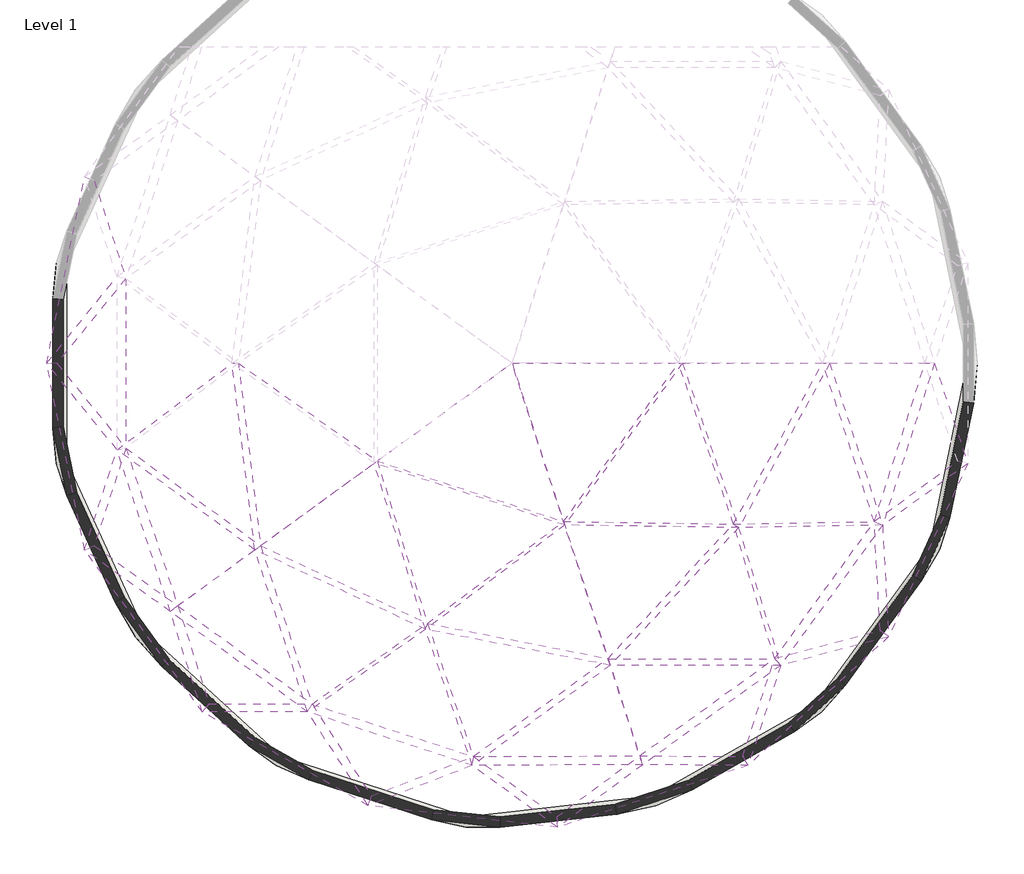
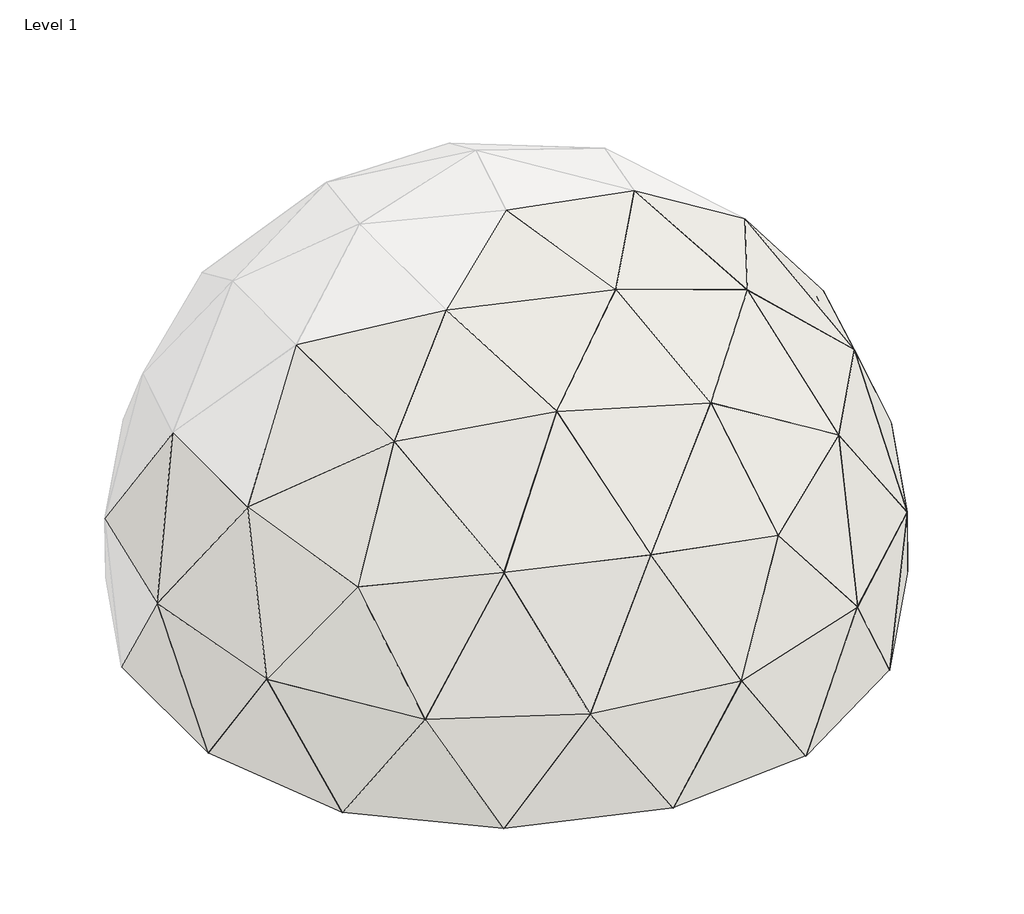
# One storey, part 1 of 2: 52 walls.
"""IFC4 building model written with IfcOpenShell, lengths in millimetres."""

from ifc_helpers import new_model, si_unit, origin, place, context, project, spatial, faceted_brep, element, save

model = new_model("IFC4")

# Units and contexts
model_context = context("Model", 3, world=origin())
ifc_project = project(units=[si_unit("LENGTHUNIT", "METRE", prefix="MILLI")], contexts=[model_context])

# Site, building, storey
site = spatial("IfcSite", under=ifc_project)
building = spatial("IfcBuilding", under=site)
storey = spatial("IfcBuildingStorey", under=building, Name="Level 1", Elevation=0.0)

# Walls
placement = place(None, origin())
element("IfcWall", 1, ObjectType="Generic - 8\"", at=placement, inside=storey, context=model_context, shape_type="Brep", body=[
    faceted_brep([(10460.7258245, 864.9681319, 10158.6023772), (13329.2677162, 864.9681319, 8385.7458572), (11552.2265203, -2336.4884835, 8989.2484078), (10534.3280163, 864.9681376, 10354.0450247), (11652.5293365, -2414.8034903, 9156.0859603), (13473.0410585, 864.9681376, 8537.8203454)], [[[0, 1, 2]], [[3, 4, 5]], [[3, 5, 1, 0]], [[4, 3, 0, 2]], [[5, 4, 2, 1]]]),
])
element("IfcWall", 2, ObjectType="Generic - 8\"", at=placement, inside=storey, context=model_context, shape_type="Brep", body=[
    faceted_brep([(8165.5368358, -2291.2453619, 10159.3092961), (10460.0659708, 866.9035343, 10159.3092961), (11553.459394, -2340.1045983, 8987.9275971), (8192.3703499, -2361.3041548, 10353.3381057), (11651.2964628, -2411.1873755, 9157.406771), (10534.9878701, 863.0327353, 10353.3381057)], [[[0, 1, 2]], [[3, 4, 5]], [[5, 4, 2, 1]], [[4, 3, 0, 2]], [[3, 5, 1, 0]]]),
])
element("IfcWall", 3, ObjectType="Generic - 8\"", at=placement, inside=storey, context=model_context, shape_type="Brep", body=[
    faceted_brep([(16015.0694404, -1085.6963614, 3015.4436157), (16206.8511066, 875.2636144, 0.357763), (15463.7143755, -2782.5949705, 128.5051003), (16216.5081851, -1128.9585903, 3049.589226), (15658.7781656, -2845.4773173, 129.2709472), (16410.507296, 854.6746706, -0.3580731)], [[[0, 1, 2]], [[3, 4, 5]], [[5, 4, 2, 1]], [[3, 5, 1, 0]], [[4, 3, 0, 2]]]),
])
element("IfcWall", 4, ObjectType="Generic - 8\"", at=placement, inside=storey, context=model_context, shape_type="Brep", body=[
    faceted_brep([(15467.0481115, -2772.3347726, 145.9608047), (14475.9352981, -4460.685114, 3141.8345419), (16014.8899161, -1086.2488811, 3014.5036123), (15655.4444296, -2855.7375152, 111.8152428), (16216.6877094, -1128.4060706, 3050.5292294), (14640.0867088, -4585.3888034, 3180.9749675)], [[[0, 1, 2]], [[3, 4, 5]], [[4, 3, 0, 2]], [[5, 4, 2, 1]], [[3, 5, 1, 0]]]),
])
element("IfcWall", 5, ObjectType="Generic - 8\"", at=placement, inside=storey, context=model_context, shape_type="Brep", body=[
    faceted_brep([(16014.7252604, -1083.791303, 3018.2031246), (14357.0102022, -2288.1924033, 6333.6322454), (15368.6792779, 864.9681206, 5694.0142329), (16216.8523651, -1130.8636488, 3046.8297171), (15555.2011121, 864.9681489, 5787.2751667), (14519.0951229, -2364.3571134, 6442.3431819)], [[[0, 1, 2]], [[3, 4, 5]], [[4, 3, 0, 2]], [[5, 4, 2, 1]], [[3, 5, 1, 0]]]),
])
element("IfcWall", 6, ObjectType="Generic - 8\"", at=placement, inside=storey, context=model_context, shape_type="Brep", body=[
    faceted_brep([(13332.4856477, 864.9681253, 8382.6802076), (15368.6792795, 864.9681253, 5694.0142319), (14357.0102038, -2288.1923983, 6333.6322444), (13469.8231269, 864.9681442, 8540.885995), (14519.0951213, -2364.3571185, 6442.3431829), (15555.2011106, 864.9681442, 5787.2751676)], [[[0, 1, 2]], [[3, 4, 5]], [[3, 5, 1, 0]], [[5, 4, 2, 1]], [[4, 3, 0, 2]]]),
])
element("IfcWall", 7, ObjectType="Generic - 8\"", at=placement, inside=storey, context=model_context, shape_type="Brep", body=[
    faceted_brep([(11550.2881571, -2339.9805724, 8989.9066971), (13331.2974887, 868.6249007, 8385.0565243), (14357.9539667, -2291.0970003, 6331.7447195), (11654.4676998, -2411.3114014, 9155.4276711), (14518.1513583, -2361.4525164, 6444.2307078), (13471.0112859, 861.3113689, 8538.5096783)], [[[0, 1, 2]], [[3, 4, 5]], [[3, 5, 1, 0]], [[5, 4, 2, 1]], [[4, 3, 0, 2]]]),
])
element("IfcWall", 8, ObjectType="Generic - 8\"", at=placement, inside=storey, context=model_context, shape_type="Brep", body=[
    faceted_brep([(16016.6477369, -1082.3945413, 3014.3581727), (14474.2566365, -4464.3658831, 3141.973432), (14355.4831655, -2289.3018609, 6336.6863178), (16214.9298886, -1132.2604104, 3050.674669), (14520.6221596, -2363.2476558, 6439.2891094), (14641.7653705, -4581.7080343, 3180.8360774)], [[[0, 1, 2]], [[3, 4, 5]], [[3, 5, 1, 0]], [[4, 3, 0, 2]], [[5, 4, 2, 1]]]),
])
element("IfcWall", 9, ObjectType="Generic - 8\"", at=placement, inside=storey, context=model_context, shape_type="Brep", body=[
    faceted_brep([(14474.1326753, -4462.0958167, 3145.3076834), (12372.7939649, -5020.2137938, 6333.9890131), (14355.5834462, -2291.1382733, 6333.9890131), (14641.8893317, -4583.9781006, 3177.501826), (14520.5218788, -2361.4112434, 6441.9864141), (12490.5963284, -5155.3639953, 6441.9864141)], [[[0, 1, 2]], [[3, 4, 5]], [[4, 3, 0, 2]], [[5, 4, 2, 1]], [[3, 5, 1, 0]]]),
])
element("IfcWall", 10, ObjectType="Generic - 8\"", at=placement, inside=storey, context=model_context, shape_type="Brep", body=[
    faceted_brep([(11553.2184671, -2339.9295535, 8987.1324215), (14355.5834466, -2291.1382729, 6333.9890131), (12372.793964, -5020.213795, 6333.9890131), (11651.5373897, -2411.3624203, 9158.2019466), (12490.5963293, -5155.3639941, 6441.9864141), (14520.5218785, -2361.4112439, 6441.9864141)], [[[0, 1, 2]], [[3, 4, 5]], [[3, 5, 1, 0]], [[5, 4, 2, 1]], [[4, 3, 0, 2]]]),
])
element("IfcWall", 11, ObjectType="Generic - 8\"", at=placement, inside=storey, context=model_context, shape_type="Brep", body=[
    faceted_brep([(15472.6962307, -2762.7132605, 128.8880238), (13166.4989335, -5936.9235685, 128.8880238), (14474.8158109, -4462.5921488, 3145.2184578), (15649.7963104, -2865.3590273, 128.8880238), (14641.2061961, -4583.4817686, 3177.5910516), (13318.8478826, -6073.636366, 128.8880238)], [[[0, 1, 2]], [[3, 4, 5]], [[3, 5, 1, 0]], [[4, 3, 0, 2]], [[5, 4, 2, 1]]]),
])
element("IfcWall", 12, ObjectType="Generic - 8\"", at=placement, inside=storey, context=model_context, shape_type="Brep", body=[
    faceted_brep([(14476.3299461, -4461.5122191, 3141.9734296), (11736.5104176, -6973.5018541, 3014.3581703), (12371.0164438, -5020.6859054, 6336.6863166), (14639.6920609, -4584.5616983, 3180.8360798), (12492.3738494, -5154.8918837, 6439.2891107), (11845.2083114, -7146.6699469, 3050.6746714)], [[[0, 1, 2]], [[3, 4, 5]], [[4, 3, 0, 2]], [[3, 5, 1, 0]], [[5, 4, 2, 1]]]),
])
element("IfcWall", 13, ObjectType="Generic - 8\"", at=placement, inside=storey, context=model_context, shape_type="Brep", body=[
    faceted_brep([(13173.9041758, -5928.5786625, 145.9608432), (11739.6329449, -6970.6389808, 3014.5036113), (14473.3480547, -4464.2461511, 3141.8345391), (13311.4426403, -6081.981272, 111.8152044), (14642.6739523, -4581.8277663, 3180.9749702), (11842.0857842, -7149.5328202, 3050.5292304)], [[[0, 1, 2]], [[3, 4, 5]], [[4, 3, 0, 2]], [[5, 4, 2, 1]], [[3, 5, 1, 0]]]),
])
element("IfcWall", 14, ObjectType="Generic - 8\"", at=placement, inside=storey, context=model_context, shape_type="Brep", body=[
    faceted_brep([(11739.1629272, -6970.980469, 3015.4436468), (13182.6320462, -5922.2374857, 128.5051005), (9933.4420551, -7759.3444293, 0.3577618), (11842.5558019, -7149.191332, 3049.5891949), (10015.9566108, -7946.6706071, -0.3580719), (13302.7147699, -6088.3224488, 129.2709471)], [[[0, 1, 2]], [[3, 4, 5]], [[5, 4, 2, 1]], [[3, 5, 1, 0]], [[4, 3, 0, 2]]]),
])
element("IfcWall", 15, ObjectType="Generic - 8\"", at=placement, inside=storey, context=model_context, shape_type="Brep", body=[
    faceted_brep([(8027.6188699, -8176.8120163, 3017.2544519), (11740.2475938, -6970.5069119, 3017.2547588), (9942.9216095, -7755.2057282, 16.1861608), (8051.0336827, -8381.2515591, 3047.7777696), (10006.4770564, -7950.8093082, -16.1864709), (11841.4711353, -7149.6648891, 3047.7780829)], [[[0, 1, 2]], [[3, 4, 5]], [[5, 4, 2, 1]], [[3, 5, 1, 0]], [[4, 3, 0, 2]]]),
])
element("IfcWall", 16, ObjectType="Generic - 8\"", at=placement, inside=storey, context=model_context, shape_type="Brep", body=[
    faceted_brep([(11737.2447385, -6971.2418386, 3018.2031374), (9684.2232475, -6959.0161654, 5694.0142331), (12370.4331696, -5022.4810455, 6333.6322425), (11844.4739906, -7148.9299624, 3046.8297043), (12492.9571237, -5153.0967436, 6442.3431847), (9741.8616509, -7136.4089775, 5787.2751665)], [[[0, 1, 2]], [[3, 4, 5]], [[4, 3, 0, 2]], [[3, 5, 1, 0]], [[5, 4, 2, 1]]]),
])
element("IfcWall", 17, ObjectType="Generic - 8\"", at=placement, inside=storey, context=model_context, shape_type="Brep", body=[
    faceted_brep([(8030.4801814, -8175.6415644, 3018.2028191), (6372.7659578, -6971.2423732, 6333.6319556), (9684.2232421, -6959.0161638, 5694.0142465), (8048.1723712, -8382.422011, 3046.8294024), (9741.8616563, -7136.4089791, 5787.2751531), (6350.4159997, -7148.930513, 6442.3428515)], [[[0, 1, 2]], [[3, 4, 5]], [[4, 3, 0, 2]], [[5, 4, 2, 1]], [[3, 5, 1, 0]]]),
])
element("IfcWall", 18, ObjectType="Generic - 8\"", at=placement, inside=storey, context=model_context, shape_type="Brep", body=[
    faceted_brep([(9684.2232399, -6959.0161654, 5694.014243), (11737.972384, -6971.2461717, 3017.2547586), (8029.8940581, -8176.0727635, 3017.2544521), (9741.8616585, -7136.4089775, 5787.2751566), (8048.7584945, -8381.9908119, 3047.7777694), (11843.7463451, -7148.9256293, 3047.7780831)], [[[0, 1, 2]], [[3, 4, 5]], [[5, 4, 2, 1]], [[3, 5, 1, 0]], [[4, 3, 0, 2]]]),
])
element("IfcWall", 19, ObjectType="Generic - 8\"", at=placement, inside=storey, context=model_context, shape_type="Brep", body=[
    faceted_brep([(9055.0044999, -5022.4815818, 8382.6802111), (12370.4331694, -5022.4810457, 6333.6322425), (9684.2232279, -6959.0161795, 5694.0142284), (9097.444138, -5153.0972925, 8540.8859916), (9741.8616704, -7136.4089634, 5787.2751711), (12492.9571239, -5153.0967434, 6442.3431847)], [[[0, 1, 2]], [[3, 4, 5]], [[5, 4, 2, 1]], [[3, 5, 1, 0]], [[4, 3, 0, 2]]]),
])
element("IfcWall", 20, ObjectType="Generic - 8\"", at=placement, inside=storey, context=model_context, shape_type="Brep", body=[
    faceted_brep([(9051.1595459, -5022.4815825, 8385.0565238), (11552.3614734, -2337.1268993, 8989.9066958), (12373.4872422, -5022.4810452, 6331.7447213), (9101.2890921, -5153.0972919, 8538.5096789), (12489.9030511, -5153.0967439, 6444.2307059), (11652.3943834, -2414.1650745, 9155.4276724)], [[[0, 1, 2]], [[3, 4, 5]], [[5, 4, 2, 1]], [[4, 3, 0, 2]], [[3, 5, 1, 0]]]),
])
element("IfcWall", 21, ObjectType="Generic - 8\"", at=placement, inside=storey, context=model_context, shape_type="Brep", body=[
    faceted_brep([(8167.5814299, -2291.2748482, 10158.6023732), (11549.6392891, -2340.0495063, 8989.2484068), (9054.0101089, -5019.4211447, 8385.7458577), (8190.3257557, -2361.2746685, 10354.0450287), (9098.4385291, -5156.1577296, 8537.8203449), (11655.1165677, -2411.2424675, 9156.0859613)], [[[0, 1, 2]], [[3, 4, 5]], [[3, 5, 1, 0]], [[5, 4, 2, 1]], [[4, 3, 0, 2]]]),
])
element("IfcWall", 22, ObjectType="Generic - 8\"", at=placement, inside=storey, context=model_context, shape_type="Brep", body=[
    faceted_brep([(7142.0554733, 864.968134, 10778.3477556), (10458.6598204, 864.968134, 10159.3092961), (8166.942994, -2289.3099508, 10159.3092961), (7142.0554719, 864.9681356, 10986.8855193), (8190.9641916, -2363.2395659, 10353.3381057), (10536.3940205, 864.9681356, 10353.3381057)], [[[0, 1, 2]], [[3, 4, 5]], [[3, 5, 1, 0]], [[5, 4, 2, 1]], [[4, 3, 0, 2]]]),
])
element("IfcWall", 23, ObjectType="Generic - 8\"", at=placement, inside=storey, context=model_context, shape_type="Brep", body=[
    faceted_brep([(4456.5911431, -1083.7441749, 10159.3092962), (8169.2182049, -2290.049211, 10159.3092962), (5457.0497855, -4320.948497, 8987.9275942), (4398.2532767, -1130.9137224, 10353.3381056), (5419.6793708, -4435.9628531, 9157.4067739), (8188.6889807, -2362.5003058, 10353.3381056)], [[[0, 1, 2]], [[3, 4, 5]], [[3, 5, 1, 0]], [[4, 3, 0, 2]], [[5, 4, 2, 1]]]),
])
element("IfcWall", 24, ObjectType="Generic - 8\"", at=placement, inside=storey, context=model_context, shape_type="Brep", body=[
    faceted_brep([(7142.0554728, 864.9681355, 10778.3477559), (8166.9429939, -2289.3099505, 10159.3092962), (4458.8663522, -1084.4834348, 10159.3092962), (7142.0554724, 864.968134, 10986.885519), (4395.9780676, -1130.1744625, 10353.3381056), (8190.9641917, -2363.2395662, 10353.3381056)], [[[0, 1, 2]], [[3, 4, 5]], [[3, 5, 1, 0]], [[5, 4, 2, 1]], [[4, 3, 0, 2]]]),
])
element("IfcWall", 25, ObjectType="Generic - 8\"", at=placement, inside=storey, context=model_context, shape_type="Brep", body=[
    faceted_brep([(1691.8983921, 866.7311838, 8989.9066933), (2137.0024045, -2775.9363081, 8385.0565214), (-550.818112, -823.1209676, 6331.7444123), (1565.6881682, 863.2038455, 9155.4276748), (-721.7744631, -860.3638197, 6444.2303948), (2019.6727861, -2852.1412508, 8538.5096812)], [[[0, 1, 2]], [[3, 4, 5]], [[3, 5, 1, 0]], [[5, 4, 2, 1]], [[4, 3, 0, 2]]]),
])
element("IfcWall", 26, ObjectType="Generic - 8\"", at=placement, inside=storey, context=model_context, shape_type="Brep", body=[
    faceted_brep([(4457.1949084, -1085.6978057, 10158.6023734), (2136.49513, -2771.7848463, 8385.7458548), (1692.3828208, 862.7666885, 8989.248405), (4397.6495115, -1128.9600917, 10354.0450284), (1565.2037395, 867.1683408, 9156.0859632), (2020.1800606, -2856.2927126, 8537.8203478)], [[[0, 1, 2]], [[3, 4, 5]], [[4, 3, 0, 2]], [[5, 4, 2, 1]], [[3, 5, 1, 0]]]),
])
element("IfcWall", 27, ObjectType="Generic - 8\"", at=placement, inside=storey, context=model_context, shape_type="Brep", body=[
    faceted_brep([(4457.1949122, -1085.6978029, 10158.6023763), (5455.9216975, -4317.2983198, 8989.2484101), (2136.4951382, -2771.7848404, 8385.745861), (4397.6495076, -1128.9600944, 10354.0450255), (2020.1800524, -2856.2927185, 8537.8203416), (5420.8074589, -4439.6130304, 9156.0859581)], [[[0, 1, 2]], [[3, 4, 5]], [[3, 5, 1, 0]], [[4, 3, 0, 2]], [[5, 4, 2, 1]]]),
])
element("IfcWall", 28, ObjectType="Generic - 8\"", at=placement, inside=storey, context=model_context, shape_type="Brep", body=[
    faceted_brep([(8167.581429, -2291.2748454, 10158.602375), (9054.0101107, -5019.4211503, 8385.7458541), (5460.107936, -4318.6585229, 8989.2484051), (8190.3257566, -2361.2746713, 10354.0450268), (5416.6212204, -4438.2528273, 9156.0859631), (9098.4385272, -5156.1577241, 8537.8203485)], [[[0, 1, 2]], [[3, 4, 5]], [[3, 5, 1, 0]], [[4, 3, 0, 2]], [[5, 4, 2, 1]]]),
])
element("IfcWall", 29, ObjectType="Generic - 8\"", at=placement, inside=storey, context=model_context, shape_type="Brep", body=[
    faceted_brep([(5456.1877915, -4317.8941474, 8989.9066916), (9058.1151363, -5020.2215751, 8385.0565217), (6370.2951663, -6973.037523, 6331.7444196), (5420.5413649, -4439.0172028, 9155.4276766), (6352.8867911, -7147.1353632, 6444.2303875), (9094.3335016, -5155.3572992, 8538.5096809)], [[[0, 1, 2]], [[3, 4, 5]], [[3, 5, 1, 0]], [[5, 4, 2, 1]], [[4, 3, 0, 2]]]),
])
element("IfcWall", 30, ObjectType="Generic - 8\"", at=placement, inside=storey, context=model_context, shape_type="Brep", body=[
    faceted_brep([(9055.0045008, -5022.4815846, 8382.6802072), (9684.2232228, -6959.0161639, 5694.0142502), (6372.7659776, -6971.2423731, 6333.6319518), (9097.4441371, -5153.0972897, 8540.8859955), (6350.4159799, -7148.9305131, 6442.3428553), (9741.8616755, -7136.408979, 5787.2751494)], [[[0, 1, 2]], [[3, 4, 5]], [[5, 4, 2, 1]], [[3, 5, 1, 0]], [[4, 3, 0, 2]]]),
])
element("IfcWall", 31, ObjectType="Generic - 8\"", at=placement, inside=storey, context=model_context, shape_type="Brep", body=[
    faceted_brep([(4341.4523681, -7754.4038071, 3145.3073939), (3161.302465, -5928.3809975, 6333.9887146), (6369.5233714, -6970.7957733, 6333.9887146), (4277.3750423, -7951.6135547, 3177.5014954), (6353.658586, -7149.3771129, 6441.9860925), (3069.1698962, -6082.1814175, 6441.9860925)], [[[0, 1, 2]], [[3, 4, 5]], [[4, 3, 0, 2]], [[5, 4, 2, 1]], [[3, 5, 1, 0]]]),
])
element("IfcWall", 32, ObjectType="Generic - 8\"", at=placement, inside=storey, context=model_context, shape_type="Brep", body=[
    faceted_brep([(8032.4026491, -8177.0383182, 3014.3578829), (4339.3317112, -7755.2231886, 3141.9731422), (6371.2389218, -6970.1329173, 6336.6860282), (8046.2499035, -8381.0252572, 3050.6743386), (6351.9430356, -7150.039969, 6439.2887789), (4279.4956992, -7950.7941733, 3180.835747)], [[[0, 1, 2]], [[3, 4, 5]], [[4, 3, 0, 2]], [[5, 4, 2, 1]], [[3, 5, 1, 0]]]),
])
element("IfcWall", 33, ObjectType="Generic - 8\"", at=placement, inside=storey, context=model_context, shape_type="Brep", body=[
    faceted_brep([(5457.1418239, -4320.6652583, 8987.1324299), (6369.5233825, -6970.7957769, 6333.9887146), (3161.3024643, -5928.3809972, 6333.9887146), (5419.5873324, -4436.2460919, 9158.2019382), (3069.1698969, -6082.1814177, 6441.9860925), (6353.6585749, -7149.3771093, 6441.9860925)], [[[0, 1, 2]], [[3, 4, 5]], [[3, 5, 1, 0]], [[5, 4, 2, 1]], [[4, 3, 0, 2]]]),
])
element("IfcWall", 34, ObjectType="Generic - 8\"", at=placement, inside=storey, context=model_context, shape_type="Brep", body=[
    faceted_brep([(2132.7036069, -2770.0195166, 8385.0565255), (5459.5424788, -4318.984143, 8989.9067017), (3159.3603978, -5929.7409752, 6331.7444018), (2023.9715837, -2858.0580423, 8538.5096771), (3071.1119633, -6080.8214398, 6444.2304053), (5417.1866776, -4437.9272072, 9155.4276664)], [[[0, 1, 2]], [[3, 4, 5]], [[3, 5, 1, 0]], [[5, 4, 2, 1]], [[4, 3, 0, 2]]]),
])
element("IfcWall", 35, ObjectType="Generic - 8\"", at=placement, inside=storey, context=model_context, shape_type="Brep", body=[
    faceted_brep([(2133.8917657, -2773.6762897, 8382.6802095), (3158.4166278, -5926.8363528, 6333.6319404), (486.5768366, -3970.5211587, 5694.0142346), (2022.7834249, -2854.4012692, 8540.8859931), (335.6775261, -4080.1559824, 5787.275165), (3072.0557333, -6083.7260622, 6442.3428667)], [[[0, 1, 2]], [[3, 4, 5]], [[3, 5, 1, 0]], [[4, 3, 0, 2]], [[5, 4, 2, 1]]]),
])
element("IfcWall", 36, ObjectType="Generic - 8\"", at=placement, inside=storey, context=model_context, shape_type="Brep", body=[
    faceted_brep([(2133.8917604, -2773.6762935, 8382.6802008), (486.5768433, -3970.5211538, 5694.0142455), (-548.3472973, -824.916119, 6333.6319467), (2022.7834302, -2854.4012653, 8540.8860018), (-724.2452778, -858.5686682, 6442.3428604), (335.6775194, -4080.1559872, 5787.275154)], [[[0, 1, 2]], [[3, 4, 5]], [[4, 3, 0, 2]], [[3, 5, 1, 0]], [[5, 4, 2, 1]]]),
])
element("IfcWall", 37, ObjectType="Generic - 8\"", at=placement, inside=storey, context=model_context, shape_type="Brep", body=[
    faceted_brep([(-1181.5371859, -2773.6766095, 3018.2028328), (-548.3472978, -824.9161176, 6333.631947), (486.5768487, -3970.5211702, 5694.0142422), (-1372.729899, -2854.4015695, 3046.8293887), (335.677514, -4080.1559708, 5787.2751574), (-724.2452773, -858.5686697, 6442.3428601)], [[[0, 1, 2]], [[3, 4, 5]], [[5, 4, 2, 1]], [[4, 3, 0, 2]], [[3, 5, 1, 0]]]),
])
element("IfcWall", 38, ObjectType="Generic - 8\"", at=placement, inside=storey, context=model_context, shape_type="Brep", body=[
    faceted_brep([(486.5768414, -3970.521165, 5694.0142304), (1109.5884826, -5927.5302595, 3017.2545996), (-1182.1284146, -2773.2524126, 3017.2544464), (335.6775213, -4080.155976, 5787.2751691), (-1372.1386702, -2854.8257665, 3047.7777752), (973.2912428, -6083.0332407, 3047.777932)], [[[0, 1, 2]], [[3, 4, 5]], [[4, 3, 0, 2]], [[3, 5, 1, 0]], [[5, 4, 2, 1]]]),
])
element("IfcWall", 39, ObjectType="Generic - 8\"", at=placement, inside=storey, context=model_context, shape_type="Brep", body=[
    faceted_brep([(1109.3677483, -5926.8368874, 3018.2029807), (486.5768402, -3970.5211613, 5694.0142354), (3158.4166257, -5926.8363513, 6333.6319399), (973.5119771, -6083.7266128, 3046.8295509), (3072.0557355, -6083.7260637, 6442.3428672), (335.6775225, -4080.1559797, 5787.2751641)], [[[0, 1, 2]], [[3, 4, 5]], [[5, 4, 2, 1]], [[3, 5, 1, 0]], [[4, 3, 0, 2]]]),
])
element("IfcWall", 40, ObjectType="Generic - 8\"", at=placement, inside=storey, context=model_context, shape_type="Brep", body=[
    faceted_brep([(4342.6864049, -7756.313208, 3141.9731141), (1106.9914223, -5926.836888, 3014.3580065), (3160.3041671, -5926.8363508, 6336.6860445), (4276.1410055, -7949.7041538, 3180.8357752), (3070.168194, -6083.7260642, 6439.2887626), (975.8883031, -6083.7266122, 3050.6745252)], [[[0, 1, 2]], [[3, 4, 5]], [[4, 3, 0, 2]], [[5, 4, 2, 1]], [[3, 5, 1, 0]]]),
])
element("IfcWall", 41, ObjectType="Generic - 8\"", at=placement, inside=storey, context=model_context, shape_type="Brep", body=[
    faceted_brep([(8028.7747181, -8176.557585, 3015.4433652), (9953.0234042, -7752.9820692, 0.3577619), (6244.5483016, -8176.557585, 128.50541), (8049.8778345, -8381.5059904, 3049.5888564), (6245.0216565, -8381.5059904, 129.2712577), (9996.3752617, -7953.0329672, -0.3580719)], [[[0, 1, 2]], [[3, 4, 5]], [[5, 4, 2, 1]], [[3, 5, 1, 0]], [[4, 3, 0, 2]]]),
])
element("IfcWall", 42, ObjectType="Generic - 8\"", at=placement, inside=storey, context=model_context, shape_type="Brep", body=[
    faceted_brep([(6266.2324824, -8178.9560551, 128.8883334), (2534.7252103, -6966.5169327, 128.8881792), (4341.1914137, -7755.2068821, 3145.2181372), (6223.3374757, -8379.1075203, 128.8883343), (4277.6359967, -7950.8104798, 3177.590752), (2451.781982, -7153.6559535, 128.8881784)], [[[0, 1, 2]], [[3, 4, 5]], [[3, 5, 1, 0]], [[4, 3, 0, 2]], [[5, 4, 2, 1]]]),
])
element("IfcWall", 43, ObjectType="Generic - 8\"", at=placement, inside=storey, context=model_context, shape_type="Brep", body=[
    faceted_brep([(6255.3365239, -8176.557585, 145.9611142), (4343.3510302, -7755.6822671, 3141.8342534), (8028.1937399, -8176.557585, 3014.5033231), (6234.2334341, -8381.5059904, 111.8155535), (8050.4588127, -8381.5059904, 3050.5288984), (4275.4763803, -7950.3350948, 3180.9746359)], [[[0, 1, 2]], [[3, 4, 5]], [[5, 4, 2, 1]], [[4, 3, 0, 2]], [[3, 5, 1, 0]]]),
])
element("IfcWall", 44, ObjectType="Generic - 8\"", at=placement, inside=storey, context=model_context, shape_type="Brep", body=[
    faceted_brep([(2544.9500243, -6970.9810118, 145.9609663), (1110.6790902, -5928.9219118, 3014.5034473), (4339.1648029, -7754.3220786, 3141.8342228), (2441.5571679, -7149.1918744, 111.8153913), (4279.6626076, -7951.6952833, 3180.9746664), (972.2006352, -6081.6415884, 3050.5290843)], [[[0, 1, 2]], [[3, 4, 5]], [[5, 4, 2, 1]], [[4, 3, 0, 2]], [[3, 5, 1, 0]]]),
])
element("IfcWall", 45, ObjectType="Generic - 8\"", at=placement, inside=storey, context=model_context, shape_type="Brep", body=[
    faceted_brep([(1110.2090786, -5928.5804284, 3015.4434706), (2553.6778783, -6977.3221705, 128.5052547), (-197.5686558, -4454.8566426, 0.3579171), (972.6706467, -6081.9830718, 3049.5890611), (-350.22805, -4591.2196002, -0.3579171), (2432.829314, -7142.8507157, 129.2711029)], [[[0, 1, 2]], [[3, 4, 5]], [[5, 4, 2, 1]], [[3, 5, 1, 0]], [[4, 3, 0, 2]]]),
])
element("IfcWall", 46, ObjectType="Generic - 8\"", at=placement, inside=storey, context=model_context, shape_type="Brep", body=[
    faceted_brep([(-1183.5345633, -2771.3170149, 3017.2544463), (1110.9946465, -5929.4656783, 3017.2545997), (-190.7031776, -4462.5932926, 16.1862981), (-1370.7325216, -2856.7611642, 3047.7777753), (-357.0935282, -4583.4829502, -16.1862981), (971.8850789, -6081.0978219, 3047.7779319)], [[[0, 1, 2]], [[3, 4, 5]], [[3, 5, 1, 0]], [[5, 4, 2, 1]], [[4, 3, 0, 2]]]),
])
element("IfcWall", 47, ObjectType="Generic - 8\"", at=placement, inside=storey, context=model_context, shape_type="Brep", body=[
    faceted_brep([(-1182.9353984, -2772.3376851, 3015.4433283), (-185.4667377, -4471.5135047, 0.3579176), (-1734.2917002, -1075.4382167, 128.5054099), (-1371.3316865, -2855.7404939, 3049.5888933), (-1929.0629496, -1139.2209209, 129.2712578), (-362.3299681, -4574.5627381, -0.3579176)], [[[0, 1, 2]], [[3, 4, 5]], [[5, 4, 2, 1]], [[3, 5, 1, 0]], [[4, 3, 0, 2]]]),
])
element("IfcWall", 48, ObjectType="Generic - 8\"", at=placement, inside=storey, context=model_context, shape_type="Brep", body=[
    faceted_brep([(-1730.9579569, -1085.6984189, 145.9611092), (-1921.5175055, 862.7663126, 3141.8340932), (-1183.1149248, -2771.7851599, 3014.5033162), (-1932.3966928, -1128.9607187, 111.8155585), (-1371.1521601, -2856.2930191, 3050.5289053), (-2127.6177663, 867.1679415, 3180.974486)], [[[0, 1, 2]], [[3, 4, 5]], [[4, 3, 0, 2]], [[5, 4, 2, 1]], [[3, 5, 1, 0]]]),
])
element("IfcWall", 49, ObjectType="Generic - 8\"", at=placement, inside=storey, context=model_context, shape_type="Brep", body=[
    faceted_brep([(-1182.2715064, -2775.9366184, 3014.3578764), (-1922.3229395, 866.7308045, 3141.9729829), (-547.7640186, -823.1209667, 6336.6860398), (-1371.9955785, -2852.1415606, 3050.6743451), (-724.8285565, -860.3638206, 6439.2887673), (-2126.8123323, 863.2034496, 3180.8355963)], [[[0, 1, 2]], [[3, 4, 5]], [[4, 3, 0, 2]], [[3, 5, 1, 0]], [[5, 4, 2, 1]]]),
])
element("IfcWall", 50, ObjectType="Generic - 8\"", at=placement, inside=storey, context=model_context, shape_type="Brep", body=[
    faceted_brep([(-1920.8883379, 864.9671376, 3145.3072456), (-548.9245693, 2551.628717, 6333.9887191), (-548.9245693, -821.6942119, 6333.9887191), (-2128.2469339, 864.9671165, 3177.5013336), (-723.6680058, -861.7905754, 6441.986088), (-723.6680058, 2591.7250437, 6441.986088)], [[[0, 1, 2]], [[3, 4, 5]], [[4, 3, 0, 2]], [[5, 4, 2, 1]], [[3, 5, 1, 0]]]),
])
element("IfcWall", 51, ObjectType="Generic - 8\"", at=placement, inside=storey, context=model_context, shape_type="Brep", body=[
    faceted_brep([(-1922.3229424, 863.2034669, 3141.9729761), (-1182.2726576, 4505.871288, 3014.3578691), (-547.7640161, 2553.0554751, 6336.6860457), (-2126.8123294, 866.7307872, 3180.835603), (-724.828559, 2590.2982856, 6439.2887614), (-1371.9967528, 4582.0761745, 3050.6743524)], [[[0, 1, 2]], [[3, 4, 5]], [[4, 3, 0, 2]], [[5, 4, 2, 1]], [[3, 5, 1, 0]]]),
])
element("IfcWall", 52, ObjectType="Generic - 8\"", at=placement, inside=storey, context=model_context, shape_type="Brep", body=[
    faceted_brep([(-1729.8720029, -1096.802261, 128.8883338), (-1729.8725426, 2826.736779, 128.8883338), (-1921.7327464, 864.9671433, 3145.2179929), (-1933.4826469, -1117.8568766, 128.8883338), (-2127.4025254, 864.9671108, 3177.5905863), (-1933.4831924, 2847.791332, 128.8883338)], [[[0, 1, 2]], [[3, 4, 5]], [[3, 5, 1, 0]], [[4, 3, 0, 2]], [[5, 4, 2, 1]]]),
])

save(model, "model.ifc")
